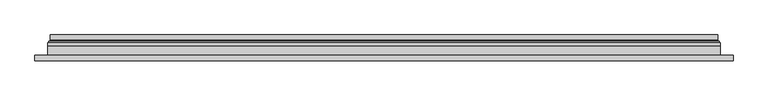
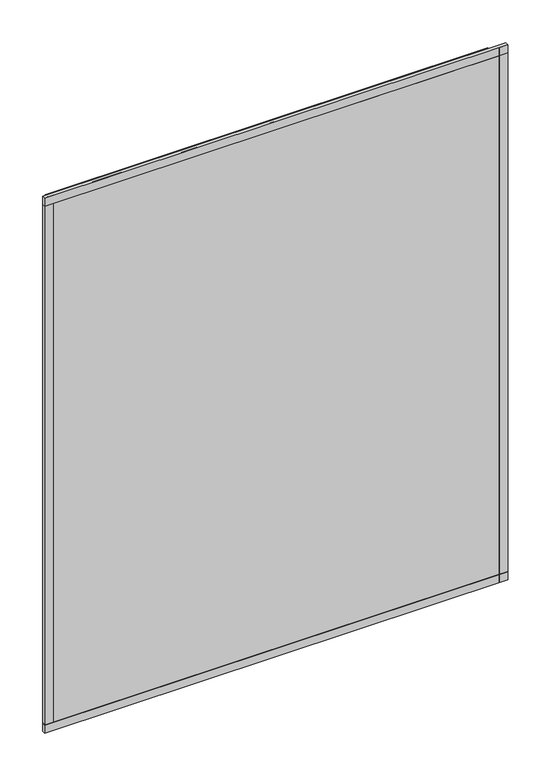
"""IFC4 building model written with IfcOpenShell, lengths in millimetres: plate geometry."""

from ifc_helpers import new_model, si_unit, frame, origin, place, context, project, spatial, polyline, ellipse_curve, outline, extrude, source, transform, mapped, element, save
from ifc_brep_helpers import plane_surface, cylinder_surface, revolved_surface, advanced_brep


def plate_efebab41(model_context):
    return source(origin(), model_context, "Body", "SolidModel", [
        extrude(outline(polyline([(624.0, -23.0), (-624.0, -23.0), (-624.0, -13.51), (624.0, -13.51), (624.0, -23.0)])), frame((0.0, 0.0, -11.5), z_axis=(0.0, 0.0, 1.0), x_axis=(1.0, 0.0, 0.0)), (0.0, 0.0, 1.0), 23.0),
        extrude(outline(polyline([(624.0, -23.0), (-624.0, -23.0), (-624.0, -13.51), (624.0, -13.51), (624.0, -23.0)])), frame((0.0, 0.0, 1488.5), z_axis=(0.0, 0.0, 1.0), x_axis=(1.0, 0.0, 0.0)), (0.0, 0.0, 1.0), 23.0),
        extrude(outline(polyline([(-624.0, -23.0), (-624.0, -13.51), (-601.0, -13.51), (-601.0, -23.0), (-624.0, -23.0)])), frame((0.0, 0.0, -11.5), z_axis=(0.0, 0.0, 1.0), x_axis=(1.0, 0.0, 0.0)), (0.0, 0.0, 1.0), 1523.0),
        extrude(outline(polyline([(624.0, -23.0), (601.0, -23.0), (601.0, -13.51), (624.0, -13.51), (624.0, -23.0)])), frame((0.0, 0.0, -11.5), z_axis=(0.0, 0.0, 1.0), x_axis=(1.0, 0.0, 0.0)), (0.0, 0.0, 1.0), 1523.0),
        extrude(outline(polyline([(11.5, -601.0), (11.5, 601.0), (1488.5, 601.0), (1488.5, -601.0), (11.5, -601.0)]), holes=[polyline([(33.5, 579.0), (33.5, -579.0), (1466.5, -579.0), (1466.5, 579.0), (33.5, 579.0)])]), frame((0.0, -17.0, 0.0), z_axis=(0.0, 1.0, 0.0), x_axis=(0.0, 0.0, 1.0)), (0.0, 0.0, 1.0), 20.0),
        extrude(outline(polyline([(33.5, -579.0), (33.5, 579.0), (1466.5, 579.0), (1466.5, -579.0), (33.5, -579.0)]), holes=[polyline([(38.5, 574.0), (38.5, -574.0), (1461.5, -574.0), (1461.5, 574.0), (38.5, 574.0)])]), frame((0.0, -17.0, 0.0), z_axis=(0.0, 1.0, 0.0), x_axis=(0.0, 0.0, 1.0)), (0.0, 0.0, 1.0), 20.0),
        extrude(outline(polyline([(601.0, 9.0), (601.0, 3.0), (-601.0, 3.0), (-601.0, 9.0), (601.0, 9.0)])), frame((0.0, 0.0, 11.5), z_axis=(0.0, 0.0, 1.0), x_axis=(1.0, 0.0, 0.0)), (0.0, 0.0, 1.0), 1477.0),
        extrude(outline(polyline([(-601.0, -23.0), (-601.0, -17.0), (601.0, -17.0), (601.0, -23.0), (-601.0, -23.0)])), frame((0.0, 0.0, 11.5), z_axis=(0.0, 0.0, 1.0), x_axis=(1.0, 0.0, 0.0)), (0.0, 0.0, 1.0), 1477.0),
        advanced_brep(
        [(-596.5, 23.0, 16.0), (596.5, 23.0, 16.0), (596.5, 13.9230471, 16.0), (-596.5, 13.9230471, 16.0), (-587.5, 12.9110883, 25.0), (587.5, 12.9110883, 25.0), (587.5, 23.0, 25.0), (-587.5, 23.0, 25.0), (596.5, 23.0, 1484.0), (596.5, 13.9230471, 1484.0), (587.5, 12.9110883, 1475.0), (587.5, 23.0, 1475.0), (-596.5, 23.0, 1484.0), (-596.5, 13.9230471, 1484.0), (-587.5, 12.9110883, 1475.0), (-587.5, 23.0, 1475.0), (-597.7540757, 9.0, 14.7459243), (597.7540757, 9.0, 14.7459243), (597.7540757, 9.0, 1485.2540757), (-597.7540757, 9.0, 1485.2540757), (587.2, 9.0, 25.3), (-587.2, 9.0, 25.3), (-587.2, 9.0, 1474.7), (587.2, 9.0, 1474.7), (-586.5625, 11.2166581, 25.9375), (586.5625, 11.2166581, 25.9375), (-598.0737575, 11.9689955, 14.4262425), (598.0737575, 11.9689955, 14.4262425), (586.5625, 11.2166581, 1474.0625), (598.0737575, 11.9689955, 1485.5737575), (-586.5625, 11.2166581, 1474.0625), (-598.0737575, 11.9689955, 1485.5737575)],
        [
            (0, 1),
            (1, 2),
            (2, 3),
            (3, 0),
            (4, 5),
            (5, 6),
            (6, 7),
            (7, 4),
            (1, 8),
            (8, 9),
            (9, 2),
            (5, 10),
            (10, 11),
            (11, 6),
            (8, 12),
            (12, 13),
            (13, 9),
            (10, 14),
            (14, 15),
            (15, 11),
            (16, 17),
            (17, 18),
            (18, 19),
            (19, 16),
            (20, 21),
            (21, 22),
            (22, 23),
            (23, 20),
            (12, 0),
            (3, 13),
            (15, 7),
            (14, 4),
            (24, 25),
            (25, 5, ellipse_curve(frame((585.5, 12.9110883, 27.0), z_axis=(0.7071067811865475, 0.0, 0.7071067811865475), x_axis=(0.7071067811865476, 0.0, -0.7071067811865474)), 2.8284271, 2.0)),
            (4, 24, ellipse_curve(frame((-585.5, 12.9110883, 27.0), z_axis=(-0.7071067811865475, 0.0, 0.7071067811865475), x_axis=(0.7071067811865476, 0.0, 0.7071067811865474)), 2.8284271, 2.0)),
            (20, 25, ellipse_curve(frame((587.2, 10.2, 25.3), z_axis=(-0.7071067811865475, 0.0, -0.7071067811865475), x_axis=(-0.7071067811865476, 0.0, 0.7071067811865474)), 1.6970563, 1.2)),
            (24, 21, ellipse_curve(frame((-587.2, 10.2, 25.3), z_axis=(0.7071067811865475, 0.0, -0.7071067811865475), x_axis=(-0.7071067811865476, 0.0, -0.7071067811865474)), 1.6970563, 1.2)),
            (26, 27),
            (27, 17, ellipse_curve(frame((597.7540757, 10.5034569, 14.7459243), z_axis=(-0.7071067811865475, 0.0, -0.7071067811865475), x_axis=(-0.7071067811865476, 0.0, 0.7071067811865474)), 2.1213203, 1.5)),
            (16, 26, ellipse_curve(frame((-597.7540757, 10.5034569, 14.7459243), z_axis=(0.7071067811865475, 0.0, -0.7071067811865475), x_axis=(-0.7071067811865476, 0.0, -0.7071067811865474)), 2.1213203, 1.5)),
            (25, 28),
            (28, 10, ellipse_curve(frame((585.5, 12.9110883, 1473.0), z_axis=(-0.7071067811865475, 0.0, 0.7071067811865475), x_axis=(0.7071067811865474, 0.0, 0.7071067811865476)), 2.8284271, 2.0)),
            (23, 28, ellipse_curve(frame((587.2, 10.2, 1474.7), z_axis=(0.7071067811865475, 0.0, -0.7071067811865475), x_axis=(-0.7071067811865474, 0.0, -0.7071067811865476)), 1.6970563, 1.2)),
            (27, 29),
            (29, 18, ellipse_curve(frame((597.7540757, 10.5034569, 1485.2540757), z_axis=(0.7071067811865475, 0.0, -0.7071067811865475), x_axis=(-0.7071067811865474, 0.0, -0.7071067811865476)), 2.1213203, 1.5)),
            (28, 30),
            (30, 14, ellipse_curve(frame((-585.5, 12.9110883, 1473.0), z_axis=(-0.7071067811865475, 0.0, -0.7071067811865475), x_axis=(-0.7071067811865476, 0.0, 0.7071067811865474)), 2.8284271, 2.0)),
            (22, 30, ellipse_curve(frame((-587.2, 10.2, 1474.7), z_axis=(0.7071067811865475, 0.0, 0.7071067811865475), x_axis=(0.7071067811865476, 0.0, -0.7071067811865474)), 1.6970563, 1.2)),
            (29, 31),
            (31, 19, ellipse_curve(frame((-597.7540757, 10.5034569, 1485.2540757), z_axis=(0.7071067811865475, 0.0, 0.7071067811865475), x_axis=(0.7071067811865476, 0.0, -0.7071067811865474)), 2.1213203, 1.5)),
            (30, 24),
            (31, 26),
            (2, 27, ellipse_curve(frame((598.5, 13.9230471, 14.0), z_axis=(0.7071067811865475, 0.0, 0.7071067811865475), x_axis=(0.7071067811865476, 0.0, -0.7071067811865474)), 2.8284271, 2.0)),
            (26, 3, ellipse_curve(frame((-598.5, 13.9230471, 14.0), z_axis=(-0.7071067811865475, 0.0, 0.7071067811865475), x_axis=(0.7071067811865476, 0.0, 0.7071067811865474)), 2.8284271, 2.0)),
            (9, 29, ellipse_curve(frame((598.5, 13.9230471, 1486.0), z_axis=(-0.7071067811865475, 0.0, 0.7071067811865475), x_axis=(0.7071067811865474, 0.0, 0.7071067811865476)), 2.8284271, 2.0)),
            (13, 31, ellipse_curve(frame((-598.5, 13.9230471, 1486.0), z_axis=(-0.7071067811865475, 0.0, -0.7071067811865475), x_axis=(-0.7071067811865476, 0.0, 0.7071067811865474)), 2.8284271, 2.0)),
        ],
        [
            plane_surface(frame((-596.5, 13.9230471, 16.0), z_axis=(0.0, 0.0, -1.0), x_axis=(1.0, 0.0, 0.0))),
            plane_surface(frame((-587.5, 23.0, 25.0), z_axis=(0.0, 0.0, 1.0), x_axis=(1.0, 0.0, 0.0))),
            plane_surface(frame((596.5, 13.9230471, 16.0), z_axis=(1.0, 0.0, 0.0), x_axis=(0.0, 0.0, 1.0))),
            plane_surface(frame((587.5, 23.0, 25.0), z_axis=(-1.0, 0.0, 0.0), x_axis=(0.0, 0.0, 1.0))),
            plane_surface(frame((596.5, 13.9230471, 1484.0), z_axis=(0.0, 0.0, 1.0), x_axis=(-1.0, 0.0, 0.0))),
            plane_surface(frame((587.5, 23.0, 1475.0), z_axis=(0.0, 0.0, -1.0), x_axis=(-1.0, 0.0, 0.0))),
            plane_surface(frame((-587.2, 9.0, 1474.7), z_axis=(0.0, -1.0, 0.0), x_axis=(0.0, 0.0, -1.0))),
            plane_surface(frame((-596.5, 13.9230471, 1484.0), z_axis=(-1.0, 0.0, 0.0), x_axis=(0.0, 0.0, -1.0))),
            plane_surface(frame((-596.5, 23.0, 1484.0), z_axis=(0.0, 1.0, 0.0), x_axis=(0.0, 0.0, -1.0))),
            plane_surface(frame((-587.5, 23.0, 1475.0), z_axis=(1.0, 0.0, 0.0), x_axis=(0.0, 0.0, -1.0))),
            revolved_surface(polyline([(587.5, 10.9110883, 27.0), (-587.5, 10.9110883, 27.0)]), (-601.0, 12.9110883, 27.0), (1.0, 0.0, 0.0)),
            cylinder_surface(frame((-601.0, 10.2, 25.3), z_axis=(-1.0, 0.0, 0.0), x_axis=(0.0, -1.0, 0.0)), 1.2),
            cylinder_surface(frame((-601.0, 10.5034569, 14.7459243), z_axis=(-1.0, 0.0, 0.0), x_axis=(0.0, -1.0, 0.0)), 1.5),
            revolved_surface(polyline([(585.5, 10.9110883, 1475.0), (585.5, 10.9110883, 25.0)]), (585.5, 12.9110883, 11.5), (0.0, 0.0, 1.0)),
            cylinder_surface(frame((587.2, 10.2, 11.5), z_axis=(0.0, 0.0, -1.0), x_axis=(0.0, -1.0, 0.0)), 1.2),
            cylinder_surface(frame((597.7540757, 10.5034569, 11.5), z_axis=(0.0, 0.0, -1.0), x_axis=(0.0, -1.0, 0.0)), 1.5),
            revolved_surface(polyline([(-587.5, 10.9110883, 1473.0), (587.5, 10.9110883, 1473.0)]), (601.0, 12.9110883, 1473.0), (-1.0, 0.0, 0.0)),
            cylinder_surface(frame((601.0, 10.2, 1474.7), z_axis=(1.0, 0.0, 0.0), x_axis=(0.0, -1.0, 0.0)), 1.2),
            cylinder_surface(frame((601.0, 10.5034569, 1485.2540757), z_axis=(1.0, 0.0, 0.0), x_axis=(0.0, -1.0, 0.0)), 1.5),
            revolved_surface(polyline([(-585.5, 10.9110883, 25.0), (-585.5, 10.9110883, 1475.0)]), (-585.5, 12.9110883, 1488.5), (0.0, 0.0, -1.0)),
            cylinder_surface(frame((-587.2, 10.2, 1488.5), z_axis=(0.0, 0.0, 1.0), x_axis=(0.0, -1.0, 0.0)), 1.2),
            cylinder_surface(frame((-597.7540757, 10.5034569, 1488.5), z_axis=(0.0, 0.0, 1.0), x_axis=(0.0, -1.0, 0.0)), 1.5),
            revolved_surface(polyline([(600.4999999825018, 11.9230471, 14.0), (-600.4999999825018, 11.9230471, 14.0)]), (-601.0, 13.9230471, 14.0), (1.0, 0.0, 0.0)),
            revolved_surface(polyline([(598.5, 11.9230471, 1487.9999999825018), (598.5, 11.9230471, 12.000000017498198)]), (598.5, 13.9230471, 11.5), (0.0, 0.0, 1.0)),
            revolved_surface(polyline([(-600.4999999825018, 11.9230471, 1486.0), (600.4999999825018, 11.9230471, 1486.0)]), (601.0, 13.9230471, 1486.0), (-1.0, 0.0, 0.0)),
            revolved_surface(polyline([(-598.5, 11.9230471, 12.000000017498223), (-598.5, 11.9230471, 1487.9999999825018)]), (-598.5, 13.9230471, 1488.5), (0.0, 0.0, -1.0)),
        ],
        [
            (0, [[1, 2, 3, 4]]),
            (1, [[5, 6, 7, 8]]),
            (2, [[9, 10, 11, -2]]),
            (3, [[12, 13, 14, -6]]),
            (4, [[15, 16, 17, -10]]),
            (5, [[18, 19, 20, -13]]),
            (6, [[21, 22, 23, 24], [25, 26, 27, 28]]),
            (7, [[29, -4, 30, -16]]),
            (8, [[-1, -29, -15, -9], [-7, -14, -20, 31]]),
            (9, [[32, -8, -31, -19]]),
            (10, [[33, 34, -5, 35]]),
            (11, [[-25, 36, -33, 37]]),
            (12, [[38, 39, -21, 40]]),
            (13, [[41, 42, -12, -34]]),
            (14, [[-28, 43, -41, -36]]),
            (15, [[44, 45, -22, -39]]),
            (16, [[46, 47, -18, -42]]),
            (17, [[-27, 48, -46, -43]]),
            (18, [[49, 50, -23, -45]]),
            (19, [[51, -35, -32, -47]]),
            (20, [[-26, -37, -51, -48]]),
            (21, [[52, -40, -24, -50]]),
            (22, [[-3, 53, -38, 54]]),
            (23, [[-11, 55, -44, -53]]),
            (24, [[-17, 56, -49, -55]]),
            (25, [[-30, -54, -52, -56]]),
        ],
    ),
    ])


if __name__ == "__main__":
    model = new_model("IFC4")
    model_context = context("Model", 3, world=origin())
    ifc_project = project(units=[si_unit("LENGTHUNIT", "METRE", prefix="MILLI")], contexts=[model_context])
    site = spatial("IfcSite", under=ifc_project)
    building = spatial("IfcBuilding", under=site)
    placement = place(None, origin())
    plate_shape = plate_efebab41(model_context)
    element("IfcPlate", 1, at=placement, inside=building, context=model_context, shape_type="MappedRepresentation", body=[
        mapped(plate_shape, transform((0.0, 0.0, 0.0), x_axis=(1.0, 0.0, 0.0), y_axis=(0.0, 1.0, 0.0), z_axis=(0.0, 0.0, 1.0))),
    ])
    save(model, "model.ifc")
